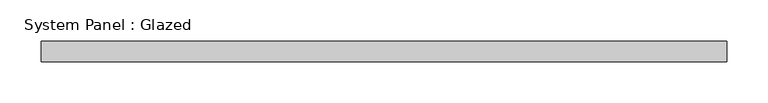
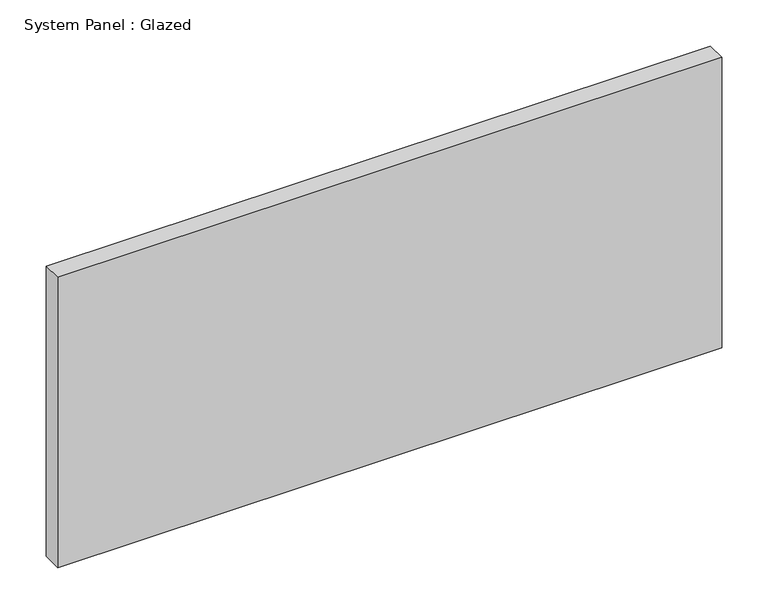
"""IFC4 building model written with IfcOpenShell, lengths in millimetres: plate geometry, System Panel : Glazed."""

from ifc_helpers import new_model, si_unit, origin, origin_with_axes, place, context, project, spatial, polyline, outline, extrude, source, transform, mapped, element, save


def system_panel_glazed_2ae679af(model_context):
    return source(origin(), model_context, "Body", "SweptSolid", [
        extrude(outline(polyline([(416.6666667, -49.5), (-416.6666667, -49.5), (-416.6666667, -24.5), (416.6666667, -24.5), (416.6666667, -49.5)])), origin_with_axes(), (0.0, 0.0, 1.0), 385.0),
    ])


if __name__ == "__main__":
    model = new_model("IFC4")
    model_context = context("Model", 3, world=origin())
    ifc_project = project(units=[si_unit("LENGTHUNIT", "METRE", prefix="MILLI")], contexts=[model_context])
    site = spatial("IfcSite", under=ifc_project)
    building = spatial("IfcBuilding", under=site)
    placement = place(None, origin())
    system_panel_glazed_shape = system_panel_glazed_2ae679af(model_context)
    element("IfcPlate", 1, ObjectType="System Panel : Glazed", at=placement, inside=building, context=model_context, shape_type="MappedRepresentation", body=[
        mapped(system_panel_glazed_shape, transform((0.0, 0.0, 0.0), x_axis=(1.0, 0.0, 0.0), y_axis=(0.0, 1.0, 0.0), z_axis=(0.0, 0.0, 1.0))),
    ])
    save(model, "model.ifc")
